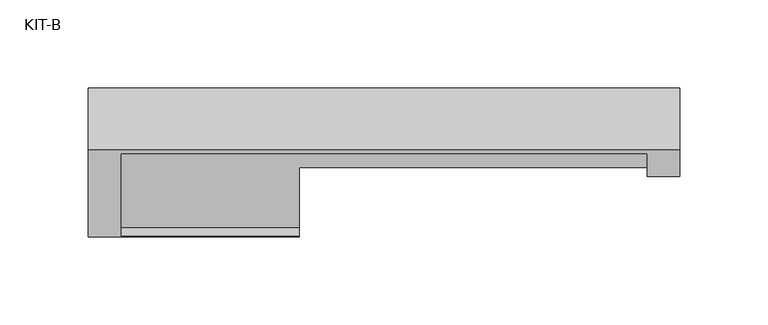
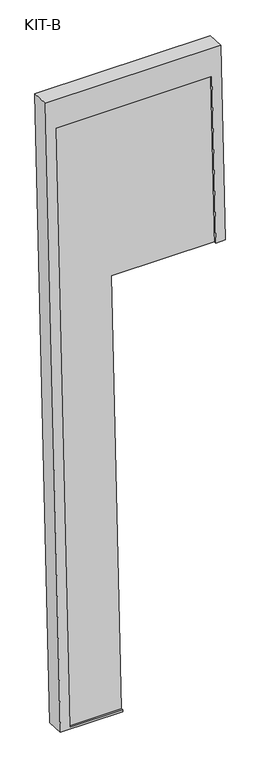
"""IFC4 building model written with IfcOpenShell, lengths in millimetres: plate geometry, KIT-B."""

from ifc_helpers import new_model, si_unit, frame, origin, place, context, project, spatial, polyline, outline, extrude, source, transform, mapped, element, save


def kit_b_67d04481(model_context):
    return source(origin(), model_context, "Body", "SweptSolid", [
        extrude(outline(polyline([(0.0, 0.0), (0.0, -299.0), (-330.0, -299.0), (-330.0, -101.5), (-1186.531593, -101.5), (-1186.531593, 0.0), (0.0, 0.0)])), frame((-149.5, 5.6533873, 1135.0792992), z_axis=(0.0, -0.9992101801000246, 0.039736834102334216), x_axis=(0.0, 0.039736834102334216, 0.9992101801000246)), (0.0, 0.0, 1.0), 27.4505712),
        extrude(outline(polyline([(0.0, 0.0), (0.0, -336.0), (-385.0000001, -336.0), (-385.0000001, -317.5), (-55.0, -317.5), (-55.0, -18.5), (-1241.531593, -18.5), (-1241.531593, -120.0), (-1245.0000001, -120.0), (-1245.0000001, 0.0), (0.0, 0.0)])), frame((-168.0, 10.3863283, 1189.9345529), z_axis=(0.0, -0.9992101801000247, 0.03973683410233422), x_axis=(0.0, 0.03973683410233422, 0.9992101801000247)), (0.0, 0.0, 1.0), 35.0),
    ])


if __name__ == "__main__":
    model = new_model("IFC4")
    model_context = context("Model", 3, world=origin())
    ifc_project = project(units=[si_unit("LENGTHUNIT", "METRE", prefix="MILLI")], contexts=[model_context])
    site = spatial("IfcSite", under=ifc_project)
    building = spatial("IfcBuilding", under=site)
    placement = place(None, origin())
    kit_b_shape = kit_b_67d04481(model_context)
    element("IfcPlate", 1, ObjectType="KIT-B", at=placement, inside=building, context=model_context, shape_type="MappedRepresentation", body=[
        mapped(kit_b_shape, transform((0.0, 0.0, 0.0), x_axis=(1.0, 0.0, 0.0), y_axis=(0.0, 1.0, 0.0), z_axis=(0.0, 0.0, 1.0))),
    ])
    save(model, "model.ifc")
